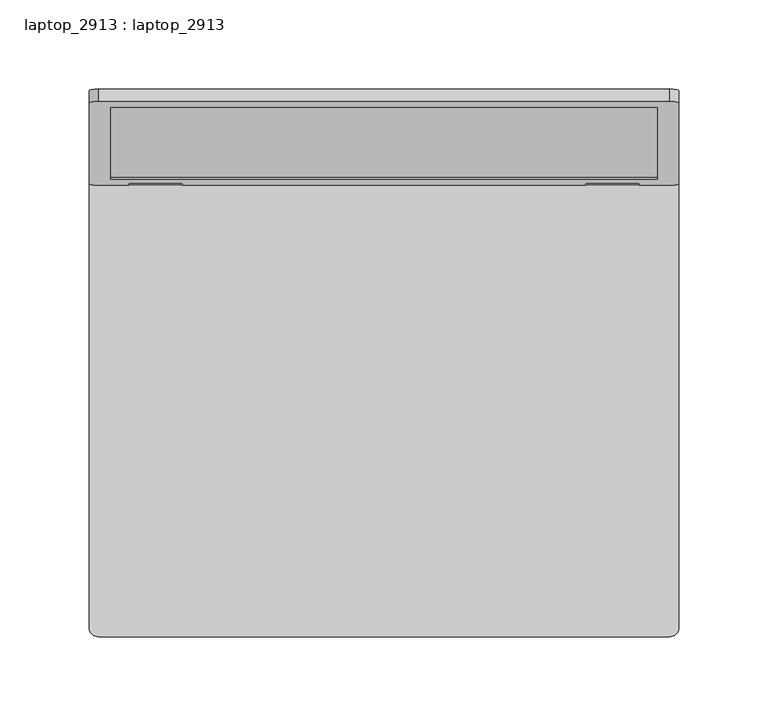
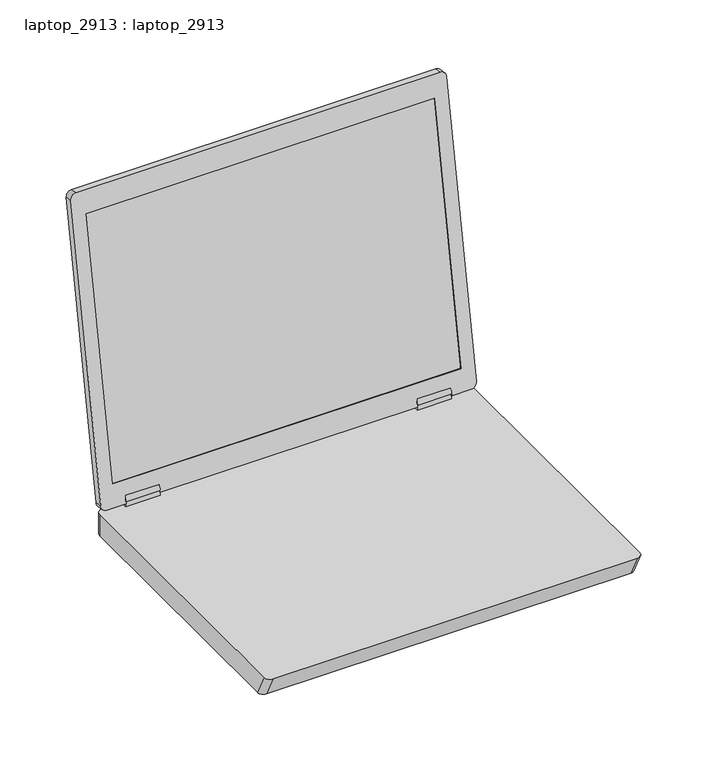
"""IFC4 building model written with IfcOpenShell, lengths in millimetres: proxy geometry, laptop_2913 : laptop_2913."""

from ifc_helpers import new_model, si_unit, point, frame, frame_2d, origin, place, context, project, spatial, polyline, circle_curve, trimmed, segment, composite_curve, outline, extrude, source, transform, mapped, element, save
from ifc_brep_helpers import plane_surface, cylinder_surface, extruded_surface, advanced_brep


def laptop_2913_laptop_2913_1bce2654(model_context):
    return source(origin(), model_context, "Body", "SolidModel", [
        extrude(outline(composite_curve([segment(trimmed(circle_curve(frame_2d((-3.1158509, 25.8375514)), 3.5), [point((-6.0166278, 23.8791098))], [point((-1.0984832, 22.9774417))], False, "CARTESIAN"), True, "CONTINUOUS"), segment(polyline([(-1.0984832, 22.9774417), (-1.7661894, 19.1906915), (-6.6902281, 20.0589324), (-6.0166278, 23.8791098)]), True, "CONTINUOUS")], self_intersect=False)), frame((113.0, 0.0, 0.0), z_axis=(1.0, 0.0, 0.0), x_axis=(0.0, 1.0, 0.0)), (0.0, 0.0, 1.0), 30.0),
        extrude(outline(composite_curve([segment(trimmed(circle_curve(frame_2d((-3.1158509, 25.8375514)), 3.5), [point((-6.0166278, 23.8791098))], [point((-1.0984832, 22.9774417))], False, "CARTESIAN"), True, "CONTINUOUS"), segment(polyline([(-1.0984832, 22.9774417), (-1.7661894, 19.1906915), (-6.6902281, 20.0589324), (-6.0166278, 23.8791098)]), True, "CONTINUOUS")], self_intersect=False)), frame((-143.0, 0.0, 0.0), z_axis=(1.0, 0.0, 0.0), x_axis=(0.0, 1.0, 0.0)), (0.0, 0.0, 1.0), 30.0),
        extrude(outline(polyline([(0.0, -306.0), (0.0, 0.0), (4.0, 0.0), (4.0, -306.0), (0.0, -306.0)])), frame((153.0, 1.2592861, 42.0120306), z_axis=(0.0, 0.1736481776669227, 0.9848077530122095), x_axis=(0.0, -0.9848077530122095, 0.1736481776669227)), (0.0, 0.0, 1.0), 230.0),
        advanced_brep(
        [(160.0, 46.6409461, 287.8666725), (165.0, 45.7727052, 282.9426338), (165.0, 0.624179, 26.892618), (160.0, -0.2440619, 21.9685792), (143.0, -0.2440619, 21.9685792), (143.0, 0.9714753, 28.8622335), (113.0, 0.9714753, 28.8622335), (113.0, -0.2440619, 21.9685792), (-113.0, -0.2440619, 21.9685792), (-113.0, 0.9714753, 28.8622335), (-143.0, 0.9714753, 28.8622335), (-143.0, -0.2440619, 21.9685792), (-160.0, -0.2440619, 21.9685792), (-165.0, 0.624179, 26.892618), (-165.0, 45.7727052, 282.9426338), (-160.0, 46.6409461, 287.8666725), (160.0, 39.7472918, 289.0822098), (-160.0, 39.7472918, 289.0822098), (-165.0, 38.8790509, 284.158171), (-165.0, -6.2694753, 28.1081552), (-160.0, -7.1377162, 23.1841164), (-143.0, -7.1377162, 23.1841164), (-143.0, -5.9221789, 30.0777707), (-113.0, -5.9221789, 30.0777707), (-113.0, -7.1377162, 23.1841164), (113.0, -7.1377162, 23.1841164), (113.0, -5.9221789, 30.0777707), (143.0, -5.9221789, 30.0777707), (143.0, -7.1377162, 23.1841164), (160.0, -7.1377162, 23.1841164), (165.0, -6.2694753, 28.1081552), (165.0, 38.8790509, 284.158171), (-153.0, 36.2743282, 269.3860547), (153.0, 36.2743282, 269.3860547), (153.0, -3.6647526, 42.8802715), (-153.0, -3.6647526, 42.8802715), (153.0, 41.198367, 268.5178138), (-153.0, 41.198367, 268.5178138), (-153.0, 1.2592861, 42.0120306), (153.0, 1.2592861, 42.0120306)],
        [
            (0, 1, circle_curve(frame((160.0, 45.7727052, 282.9426338), z_axis=(0.0, 0.9848077530122095, -0.17364817766692225), x_axis=(0.0, -0.17364817766692225, -0.9848077530122095)), 5.0)),
            (1, 2),
            (2, 3, circle_curve(frame((160.0, 0.624179, 26.892618), z_axis=(0.0, 0.9848077530122095, -0.17364817766692225), x_axis=(0.0, -0.17364817766692225, -0.9848077530122095)), 5.0)),
            (3, 4),
            (4, 5),
            (5, 6),
            (6, 7),
            (7, 8),
            (8, 9),
            (9, 10),
            (10, 11),
            (11, 12),
            (12, 13, circle_curve(frame((-160.0, 0.624179, 26.892618), z_axis=(0.0, 0.9848077530122095, -0.17364817766692225), x_axis=(0.0, -0.17364817766692225, -0.9848077530122095)), 5.0)),
            (13, 14),
            (14, 15, circle_curve(frame((-160.0, 45.7727052, 282.9426338), z_axis=(0.0, 0.9848077530122095, -0.17364817766692225), x_axis=(0.0, -0.17364817766692225, -0.9848077530122095)), 5.0)),
            (15, 0),
            (16, 17),
            (17, 18, circle_curve(frame((-160.0, 38.8790509, 284.158171), z_axis=(0.0, -0.9848077530122095, 0.17364817766692225), x_axis=(0.0, -0.17364817766692225, -0.9848077530122095)), 5.0)),
            (18, 19),
            (19, 20, circle_curve(frame((-160.0, -6.2694753, 28.1081552), z_axis=(0.0, -0.9848077530122095, 0.17364817766692225), x_axis=(0.0, -0.17364817766692225, -0.9848077530122095)), 5.0)),
            (20, 21),
            (21, 22),
            (22, 23),
            (23, 24),
            (24, 25),
            (25, 26),
            (26, 27),
            (27, 28),
            (28, 29),
            (29, 30, circle_curve(frame((160.0, -6.2694753, 28.1081552), z_axis=(0.0, -0.9848077530122095, 0.17364817766692225), x_axis=(0.0, -0.17364817766692225, -0.9848077530122095)), 5.0)),
            (30, 31),
            (31, 16, circle_curve(frame((160.0, 38.8790509, 284.158171), z_axis=(0.0, -0.9848077530122095, 0.17364817766692225), x_axis=(0.0, -0.17364817766692225, -0.9848077530122095)), 5.0)),
            (32, 33),
            (33, 34),
            (34, 35),
            (35, 32),
            (0, 16),
            (31, 1),
            (30, 2),
            (29, 3),
            (7, 25),
            (24, 8),
            (28, 4),
            (20, 12),
            (11, 21),
            (19, 13),
            (18, 14),
            (17, 15),
            (36, 37),
            (37, 38),
            (38, 39),
            (39, 36),
            (36, 33),
            (32, 37),
            (35, 38),
            (34, 39),
            (22, 10),
            (9, 23),
            (26, 6),
            (5, 27),
        ],
        [
            plane_surface(frame((160.0, 44.9044643, 278.018595), z_axis=(0.0, 0.9848077530122095, -0.17364817766692225), x_axis=(-1.0, 0.0, 0.0))),
            plane_surface(frame((160.0, 38.01081, 279.2341322), z_axis=(0.0, -0.9848077530122095, 0.17364817766692225), x_axis=(1.0, 0.0, 0.0))),
            cylinder_surface(frame((160.0, 38.8790509, 284.158171), z_axis=(0.0, 0.9848077530122095, -0.17364817766692225), x_axis=(0.0, -0.17364817766692225, -0.9848077530122095)), 5.0),
            plane_surface(frame((165.0, 45.7727052, 282.9426338), z_axis=(1.0, 0.0, 0.0), x_axis=(0.0, -0.9848077530122098, 0.17364817766692042))),
            cylinder_surface(frame((160.0, -6.2694753, 28.1081552), z_axis=(0.0, 0.9848077530122095, -0.17364817766692225), x_axis=(0.0, -0.17364817766692225, -0.9848077530122095)), 5.0),
            plane_surface(frame((160.0, -0.2440619, 21.9685792), z_axis=(0.0, -0.17364817766692522, -0.984807753012209), x_axis=(0.0, -0.984807753012209, 0.17364817766692522))),
            cylinder_surface(frame((-160.0, -6.2694753, 28.1081552), z_axis=(0.0, 0.9848077530122095, -0.17364817766692225), x_axis=(0.0, -0.17364817766692225, -0.9848077530122095)), 5.0),
            plane_surface(frame((-165.0, 0.624179, 26.892618), z_axis=(-1.0000000000000002, 0.0, 0.0), x_axis=(0.0, -0.9848077530122099, 0.1736481776669203))),
            cylinder_surface(frame((-160.0, 38.8790509, 284.158171), z_axis=(0.0, 0.9848077530122095, -0.17364817766692225), x_axis=(0.0, -0.17364817766692225, -0.9848077530122095)), 5.0),
            plane_surface(frame((-160.0, 46.6409461, 287.8666725), z_axis=(0.0, 0.1736481776669202, 0.9848077530122099), x_axis=(0.0, -0.9848077530122099, 0.1736481776669202))),
            plane_surface(frame((-153.0, 41.198367, 268.5178138), z_axis=(0.0, -0.9848077530122095, 0.17364817766692225), x_axis=(1.0, 0.0, 0.0))),
            plane_surface(frame((153.0, 36.2743282, 269.3860547), z_axis=(0.0, -0.17364817766691945, -0.98480775301221), x_axis=(0.0, 0.98480775301221, -0.17364817766691945))),
            plane_surface(frame((-153.0, 36.2743282, 269.3860547), z_axis=(1.0000000000000002, 0.0, 0.0), x_axis=(0.0, 0.98480775301221, -0.17364817766691945))),
            plane_surface(frame((-153.0, -3.6647526, 42.8802715), z_axis=(0.0, 0.17364817766691945, 0.98480775301221), x_axis=(0.0, 0.98480775301221, -0.17364817766691945))),
            plane_surface(frame((153.0, -3.6647526, 42.8802715), z_axis=(-1.0000000000000002, 0.0, 0.0), x_axis=(0.0, 0.98480775301221, -0.17364817766691945))),
            plane_surface(frame((-113.0, -5.9221789, 30.0777707), z_axis=(0.0, -0.17364817766692217, -0.9848077530122096), x_axis=(0.0, 0.9848077530122096, -0.17364817766692217))),
            plane_surface(frame((-143.0, -5.9221789, 30.0777707), z_axis=(1.0000000000000002, 0.0, 0.0), x_axis=(0.0, 0.9848077530122096, -0.17364817766692217))),
            plane_surface(frame((-113.0, -7.1377162, 23.1841164), z_axis=(-1.0000000000000002, 0.0, 0.0), x_axis=(0.0, 0.9848077530122096, -0.17364817766692214))),
            plane_surface(frame((143.0, -5.9221789, 30.0777707), z_axis=(0.0, -0.17364817766692217, -0.9848077530122096), x_axis=(0.0, 0.9848077530122096, -0.17364817766692217))),
            plane_surface(frame((113.0, -5.9221789, 30.0777707), z_axis=(1.0000000000000002, 0.0, 0.0), x_axis=(0.0, 0.9848077530122096, -0.17364817766692217))),
            plane_surface(frame((143.0, -7.1377162, 23.1841164), z_axis=(-1.0000000000000002, 0.0, 0.0), x_axis=(0.0, 0.9848077530122096, -0.17364817766692217))),
        ],
        [
            (0, [[1, 2, 3, 4, 5, 6, 7, 8, 9, 10, 11, 12, 13, 14, 15, 16]]),
            (1, [[17, 18, 19, 20, 21, 22, 23, 24, 25, 26, 27, 28, 29, 30, 31, 32], [33, 34, 35, 36]]),
            (2, [[-1, 37, -32, 38]]),
            (3, [[-2, -38, -31, 39]]),
            (4, [[-3, -39, -30, 40]]),
            (5, [[-8, 41, -25, 42]]),
            (5, [[-40, -29, 43, -4]]),
            (5, [[44, -12, 45, -21]]),
            (6, [[-13, -44, -20, 46]]),
            (7, [[-14, -46, -19, 47]]),
            (8, [[-15, -47, -18, 48]]),
            (9, [[-16, -48, -17, -37]]),
            (10, [[49, 50, 51, 52]]),
            (11, [[-49, 53, -33, 54]]),
            (12, [[-50, -54, -36, 55]]),
            (13, [[-51, -55, -35, 56]]),
            (14, [[-52, -56, -34, -53]]),
            (15, [[57, -10, 58, -23]]),
            (16, [[-57, -22, -45, -11]]),
            (17, [[-58, -9, -42, -24]]),
            (18, [[59, -6, 60, -27]]),
            (19, [[-59, -26, -41, -7]]),
            (20, [[-60, -5, -43, -28]]),
        ],
    ),
        advanced_brep(
        [(160.0, 0.0, 20.0), (-160.0, 0.0, 20.0), (-165.0, -5.0, 20.0), (-165.0, -255.0, 20.0), (-160.0, -260.0, 20.0), (160.0, -260.0, 20.0), (165.0, -255.0, 20.0), (165.0, -5.0, 20.0), (160.0, 0.0, 0.0), (165.0, -5.0, 0.0), (165.0, -245.0, 0.0), (160.0, -250.0, 0.0), (-160.0, -250.0, 0.0), (-165.0, -245.0, 0.0), (-165.0, -5.0, 0.0), (-160.0, 0.0, 0.0)],
        [
            (0, 1),
            (1, 2, circle_curve(frame((-160.0, -5.0, 20.0), z_axis=(0.0, 0.0, 1.0), x_axis=(-1.0, 0.0, 0.0)), 5.0)),
            (2, 3),
            (3, 4, circle_curve(frame((-160.0, -255.0, 20.0), z_axis=(0.0, 0.0, 1.0), x_axis=(1.0, 0.0, 0.0)), 5.0)),
            (4, 5),
            (5, 6, circle_curve(frame((160.0, -255.0, 20.0), z_axis=(0.0, 0.0, 1.0), x_axis=(1.0, 0.0, 0.0)), 5.0)),
            (6, 7),
            (7, 0, circle_curve(frame((160.0, -5.0, 20.0), z_axis=(0.0, 0.0, 1.0), x_axis=(0.0, 1.0, 0.0)), 5.0)),
            (8, 9, circle_curve(frame((160.0, -5.0, 0.0), z_axis=(0.0, 0.0, -1.0), x_axis=(0.0, 1.0, 0.0)), 5.0)),
            (9, 10),
            (10, 11, circle_curve(frame((160.0, -245.0, 0.0), z_axis=(0.0, 0.0, -1.0), x_axis=(1.0, 0.0, 0.0)), 5.0)),
            (11, 12),
            (12, 13, circle_curve(frame((-160.0, -245.0, 0.0), z_axis=(0.0, 0.0, -1.0), x_axis=(1.0, 0.0, 0.0)), 5.0)),
            (13, 14),
            (14, 15, circle_curve(frame((-160.0, -5.0, 0.0), z_axis=(0.0, 0.0, -1.0), x_axis=(-1.0, 0.0, 0.0)), 5.0)),
            (15, 8),
            (15, 1),
            (0, 8),
            (14, 2),
            (13, 3),
            (12, 4),
            (11, 5),
            (10, 6),
            (9, 7),
        ],
        [
            plane_surface(frame((0.0, -130.0, 20.0), z_axis=(0.0, 0.0, 1.0), x_axis=(-1.0, 0.0, 0.0))),
            plane_surface(frame((0.0, -125.0, 0.0), z_axis=(0.0, 0.0, -1.0), x_axis=(-1.0, 0.0, 0.0))),
            plane_surface(frame((0.0, 0.0, 0.0), z_axis=(0.0, 1.0, 0.0), x_axis=(-1.0, 0.0, 0.0))),
            cylinder_surface(frame((-160.0, -5.0, 0.0), z_axis=(0.0, 0.0, 1.0), x_axis=(-1.0, 0.0, 0.0)), 5.0),
            plane_surface(frame((-165.0, -125.0, 0.0), z_axis=(-1.0, 0.0, 0.0), x_axis=(0.0, -1.0, 0.0))),
            extruded_surface(trimmed(circle_curve(frame((-160.0, -245.0, 0.0), z_axis=(0.0, 0.0, 1.0), x_axis=(1.0, 0.0, 0.0)), 5.0), [point((-165.0, -245.0, 0.0))], [point((-160.0, -250.0, 0.0))], True, "CARTESIAN"), (0.0, -10.0, 20.0), 22.360679774997898),
            plane_surface(frame((0.0, -250.0, 0.0), z_axis=(0.0, -0.8944271909999112, -0.4472135954999673), x_axis=(1.0, 0.0, 0.0))),
            extruded_surface(trimmed(circle_curve(frame((160.0, -245.0, 0.0), z_axis=(0.0, 0.0, 1.0), x_axis=(1.0, 0.0, 0.0)), 5.0), [point((160.0, -250.0, 0.0))], [point((165.0, -245.0, 0.0))], True, "CARTESIAN"), (0.0, -10.0, 20.0), 22.360679774997898),
            plane_surface(frame((165.0, -125.0, 0.0), z_axis=(1.0, 0.0, 0.0), x_axis=(0.0, 1.0, 0.0))),
            cylinder_surface(frame((160.0, -5.0, 0.0), z_axis=(0.0, 0.0, 1.0), x_axis=(0.0, 1.0, 0.0)), 5.0),
        ],
        [
            (0, [[1, 2, 3, 4, 5, 6, 7, 8]]),
            (1, [[9, 10, 11, 12, 13, 14, 15, 16]]),
            (2, [[-16, 17, -1, 18]]),
            (3, [[-15, 19, -2, -17]]),
            (4, [[-14, 20, -3, -19]]),
            (5, [[-13, 21, -4, -20]]),
            (6, [[-12, 22, -5, -21]]),
            (7, [[-11, 23, -6, -22]]),
            (8, [[-10, 24, -7, -23]]),
            (9, [[-9, -18, -8, -24]]),
        ],
    ),
    ])


if __name__ == "__main__":
    model = new_model("IFC4")
    model_context = context("Model", 3, world=origin())
    ifc_project = project(units=[si_unit("LENGTHUNIT", "METRE", prefix="MILLI")], contexts=[model_context])
    site = spatial("IfcSite", under=ifc_project)
    building = spatial("IfcBuilding", under=site)
    placement = place(None, origin())
    laptop_2913_laptop_2913_shape = laptop_2913_laptop_2913_1bce2654(model_context)
    element("IfcBuildingElementProxy", 1, Name="laptop_2913 : laptop_2913", ObjectType="laptop_2913 : laptop_2913", at=placement, inside=building, context=model_context, shape_type="MappedRepresentation", body=[
        mapped(laptop_2913_laptop_2913_shape, transform((0.0, 0.0, 0.0), x_axis=(1.0, 0.0, 0.0), y_axis=(0.0, 1.0, 0.0), z_axis=(0.0, 0.0, 1.0))),
    ])
    save(model, "model.ifc")
